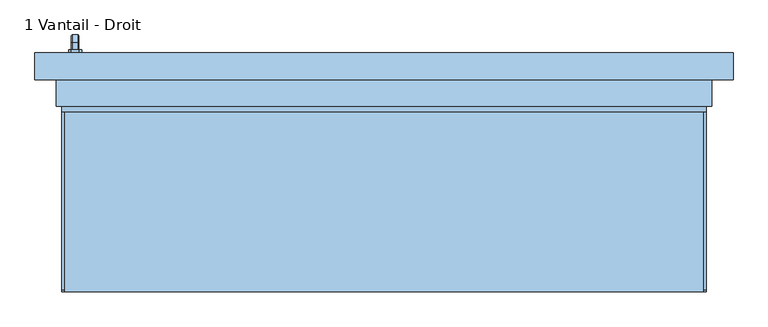
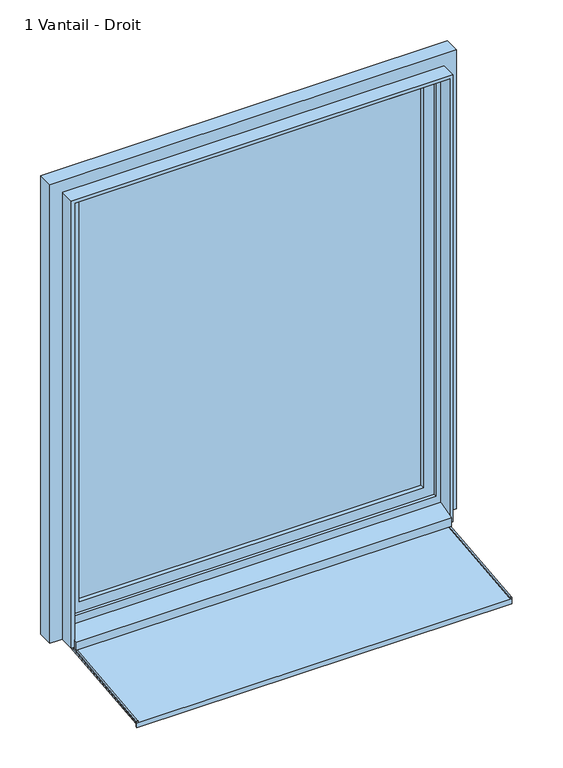
"""IFC4 building model written with IfcOpenShell, lengths in millimetres: window geometry, 1 Vantail - Droit."""

from ifc_helpers import new_model, si_unit, point, frame, frame_2d, origin, place, context, project, spatial, polyline, circle_curve, trimmed, segment, composite_curve, outline, extrude, faceted_brep, source, transform, mapped, element, save


def window_1_vantail_droit_0cfeb5be(model_context):
    return source(origin(), model_context, "Body", "SolidModel", [
        faceted_brep([(-569.3539903, 221.0, 1422.0339292), (-580.6460097, 221.0, 1422.0339292), (-582.0339292, 221.0, 1420.6460097), (-582.0339292, 221.0, 1409.3323012), (-580.6676988, 221.0, 1407.9660708), (-569.3323012, 221.0, 1407.9660708), (-567.9660708, 221.0, 1409.3323012), (-567.9660708, 221.0, 1420.6460097), (-567.9660708, 233.3386538, 1420.6460097), (-569.3539903, 233.9135489, 1422.0339292), (-567.9660708, 228.6523623, 1409.3323012), (-567.9660708, 235.3323012, 1402.6523623), (-567.9660708, 235.3323012, 1320.0), (-567.9660708, 246.6460097, 1320.0), (-567.9660708, 246.6460097, 1407.3386538), (-569.3323012, 228.0864511, 1407.9660708), (-580.6676988, 228.0864511, 1407.9660708), (-582.0339292, 228.6523623, 1409.3323012), (-582.0339292, 233.3386538, 1420.6460097), (-582.0339292, 246.6460097, 1407.3386538), (-582.0339292, 246.6460097, 1320.0), (-582.0339292, 235.3323012, 1320.0), (-582.0339292, 235.3323012, 1402.6523623), (-580.6460097, 233.9135489, 1422.0339292), (-569.3539903, 248.0339292, 1407.9135489), (-569.3323012, 233.9660708, 1402.0864511), (-580.6676988, 233.9660708, 1402.0864511), (-580.6460097, 248.0339292, 1407.9135489), (-569.3539903, 248.0339292, 1320.0), (-569.3323012, 233.9660708, 1320.0), (-580.6676988, 233.9660708, 1320.0), (-580.6460097, 248.0339292, 1320.0)], [[[0, 1, 2, 3, 4, 5, 6, 7]], [[7, 8, 9, 0]], [[6, 10, 11, 12, 13, 14, 8, 7]], [[5, 15, 10, 6]], [[4, 16, 15, 5]], [[3, 17, 16, 4]], [[2, 18, 19, 20, 21, 22, 17, 3]], [[1, 23, 18, 2]], [[0, 9, 23, 1]], [[8, 14, 24, 9]], [[15, 25, 11, 10]], [[16, 26, 25, 15]], [[17, 22, 26, 16]], [[23, 27, 19, 18]], [[9, 24, 27, 23]], [[28, 13, 12, 29, 30, 21, 20, 31]], [[14, 13, 28, 24]], [[25, 29, 12, 11]], [[26, 30, 29, 25]], [[22, 21, 30, 26]], [[27, 31, 20, 19]], [[24, 28, 31, 27]]]),
        extrude(outline(polyline([(1440.0, -568.0), (1440.0, -582.0), (1435.0, -587.0), (1365.0, -587.0), (1360.0, -582.0), (1360.0, -568.0), (1365.0, -563.0), (1435.0, -563.0), (1440.0, -568.0)])), frame((0.0, 215.0, 0.0), z_axis=(0.0, 1.0, 0.0), x_axis=(0.0, 0.0, 1.0)), (0.0, 0.0, 1.0), 6.0),
        extrude(outline(polyline([(-230.0, 751.8921659), (130.0, 789.7296906), (130.0, 800.0), (135.0, 800.0), (135.0, 785.0), (-225.0, 747.1624753), (-225.0, 736.8619706), (-230.0, 736.3364494), (-230.0, 751.8921659)])), frame((-600.0, 0.0, 0.0), z_axis=(1.0, 0.0, 0.0), x_axis=(0.0, 1.0, 0.0)), (0.0, 0.0, 1.0), 1200.0),
        extrude(outline(composite_curve([segment(polyline([(-230.0, 751.8921659), (-230.0, 753.3180911)]), True, "CONTINUOUS"), segment(trimmed(circle_curve(frame_2d((-226.0, 753.3180911)), 4.0), [point((-230.0, 753.3180911))], [point((-226.4181139, 757.2961787))], False, "CARTESIAN"), True, "CONTINUOUS"), segment(polyline([(-226.4181139, 757.2961787), (130.0, 794.757232), (130.0, 789.7296906), (-230.0, 751.8921659)]), True, "CONTINUOUS")], self_intersect=False)), frame((-600.0, 0.0, 0.0), z_axis=(1.0, 0.0, 0.0), x_axis=(0.0, 1.0, 0.0)), (0.0, 0.0, 1.0), 5.0),
        extrude(outline(composite_curve([segment(polyline([(-230.0, 751.8921659), (-230.0, 753.3180911)]), True, "CONTINUOUS"), segment(trimmed(circle_curve(frame_2d((-226.0, 753.3180911)), 4.0), [point((-230.0, 753.3180911))], [point((-226.4181139, 757.2961787))], False, "CARTESIAN"), True, "CONTINUOUS"), segment(polyline([(-226.4181139, 757.2961787), (130.0, 794.757232), (130.0, 789.7296906), (-230.0, 751.8921659)]), True, "CONTINUOUS")], self_intersect=False)), frame((595.0, 0.0, 0.0), z_axis=(1.0, 0.0, 0.0), x_axis=(0.0, 1.0, 0.0)), (0.0, 0.0, 1.0), 5.0),
        faceted_brep([(-650.0, 215.0, 800.0), (650.0, 215.0, 800.0), (650.0, 165.0, 800.0), (600.0, 165.0, 800.0), (600.0, 115.0, 800.0), (-600.0, 115.0, 800.0), (-600.0, 165.0, 800.0), (-650.0, 165.0, 800.0), (-650.0, 165.0, 2350.0), (-650.0, 215.0, 2350.0), (-600.0, 165.0, 839.3761425), (600.0, 165.0, 839.3761425), (650.0, 165.0, 2350.0), (-585.0, 165.0, 2285.0), (585.0, 165.0, 2285.0), (585.0, 165.0, 865.0), (-585.0, 165.0, 865.0), (-600.0, 115.0, 795.0), (-600.0, 105.0, 795.0), (-600.0, 105.0, 823.2991909), (600.0, 115.0, 795.0), (600.0, 105.0, 823.2991909), (600.0, 105.0, 795.0), (650.0, 215.0, 2350.0), (600.0, 215.0, 2300.0), (-600.0, 215.0, 2300.0), (-600.0, 215.0, 850.0), (600.0, 215.0, 850.0), (-585.0, 175.0, 865.0), (-585.0, 175.0, 2285.0), (585.0, 175.0, 865.0), (585.0, 175.0, 2285.0), (600.0, 175.0, 2300.0), (600.0, 175.0, 850.0), (-600.0, 175.0, 850.0), (-600.0, 175.0, 2300.0)], [[[0, 1, 2, 3, 4, 5, 6, 7]], [[7, 8, 9, 0]], [[7, 6, 10, 11, 3, 2, 12, 8], [13, 14, 15, 16]], [[10, 6, 5, 17, 18, 19]], [[5, 4, 20, 17]], [[4, 3, 11, 21, 22, 20]], [[2, 1, 23, 12]], [[0, 9, 23, 1], [24, 25, 26, 27]], [[13, 16, 28, 29]], [[28, 16, 15, 30]], [[31, 30, 15, 14]], [[19, 21, 11, 10]], [[32, 33, 34, 35], [29, 28, 30, 31]], [[34, 26, 25, 35]], [[26, 34, 33, 27]], [[24, 27, 33, 32]], [[18, 22, 21, 19]], [[17, 20, 22, 18]], [[13, 29, 31, 14]], [[35, 25, 24, 32]], [[12, 23, 9, 8]]]),
        extrude(outline(polyline([(800.0, -600.0), (2300.0, -600.0), (2300.0, 600.0), (800.0, 600.0), (800.0, 610.0), (2310.0, 610.0), (2310.0, -610.0), (800.0, -610.0), (800.0, -600.0)])), frame((0.0, 115.0, 0.0), z_axis=(0.0, 1.0, 0.0), x_axis=(0.0, 0.0, 1.0)), (0.0, 0.0, 1.0), 50.0),
        extrude(outline(polyline([(-550.0, 189.0), (-550.0, 201.0), (550.0, 201.0), (550.0, 189.0), (-550.0, 189.0)])), frame((0.0, 0.0, 900.0), z_axis=(0.0, 0.0, 1.0), x_axis=(1.0, 0.0, 0.0)), (0.0, 0.0, 1.0), 1350.0),
        extrude(outline(polyline([(850.0, -600.0), (850.0, 600.0), (2300.0, 600.0), (2300.0, -600.0), (850.0, -600.0)]), holes=[polyline([(900.0, 550.0), (900.0, -550.0), (2250.0, -550.0), (2250.0, 550.0), (900.0, 550.0)])]), frame((0.0, 175.0, 0.0), z_axis=(0.0, 1.0, 0.0), x_axis=(0.0, 0.0, 1.0)), (0.0, 0.0, 1.0), 40.0),
    ])


if __name__ == "__main__":
    model = new_model("IFC4")
    model_context = context("Model", 3, world=origin())
    ifc_project = project(units=[si_unit("LENGTHUNIT", "METRE", prefix="MILLI")], contexts=[model_context])
    site = spatial("IfcSite", under=ifc_project)
    building = spatial("IfcBuilding", under=site)
    placement = place(None, origin())
    window_1_vantail_droit_shape = window_1_vantail_droit_0cfeb5be(model_context)
    element("IfcWindow", 1, ObjectType="1 Vantail - Droit", at=placement, inside=building, context=model_context, shape_type="MappedRepresentation", body=[
        mapped(window_1_vantail_droit_shape, transform((0.0, 0.0, 0.0), x_axis=(1.0, 0.0, 0.0), y_axis=(0.0, 1.0, 0.0), z_axis=(0.0, 0.0, 1.0))),
    ])
    save(model, "model.ifc")
